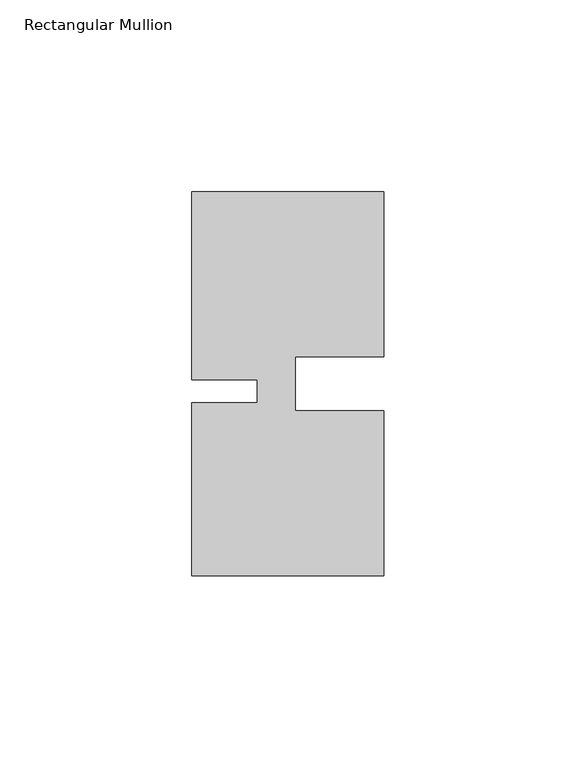
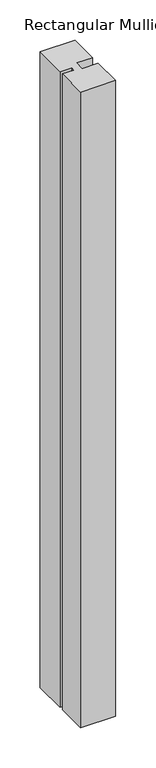
"""IFC4 building model written with IfcOpenShell, lengths in millimetres: member geometry, Rectangular Mullion."""

from ifc_helpers import new_model, si_unit, frame, origin, place, context, project, spatial, polyline, outline, extrude, source, transform, mapped, element, save


def rectangular_mullion_9246d780(model_context):
    return source(origin(), model_context, "Body", "SweptSolid", [
        extrude(outline(polyline([(-23.0000341, -5.000031), (-4.2e-06, -5.0000287), (0.0, -48.0000271), (-50.0, -48.000032), (-50.0000044, -3.000032), (-33.0004661, -3.0000303), (-33.0004667, 2.999987), (-50.000005, 2.9999853), (-50.0000098, 51.999968), (-3.44e-05, 51.999968), (-3.44e-05, 8.9999707), (-23.0000354, 8.9999684), (-23.0000341, -5.000031)])), frame((0.0, 0.0, -961.3330107), z_axis=(0.0, 0.0, 1.0), x_axis=(1.0, 0.0, 0.0)), (0.0, 0.0, 1.0), 961.3330107),
    ])


if __name__ == "__main__":
    model = new_model("IFC4")
    model_context = context("Model", 3, world=origin())
    ifc_project = project(units=[si_unit("LENGTHUNIT", "METRE", prefix="MILLI")], contexts=[model_context])
    site = spatial("IfcSite", under=ifc_project)
    building = spatial("IfcBuilding", under=site)
    placement = place(None, origin())
    rectangular_mullion_shape = rectangular_mullion_9246d780(model_context)
    element("IfcMember", 1, ObjectType="Rectangular Mullion", at=placement, inside=building, context=model_context, shape_type="MappedRepresentation", body=[
        mapped(rectangular_mullion_shape, transform((0.0, 0.0, 0.0), x_axis=(1.0, 0.0, 0.0), y_axis=(0.0, 1.0, 0.0), z_axis=(0.0, 0.0, 1.0))),
    ])
    save(model, "model.ifc")
